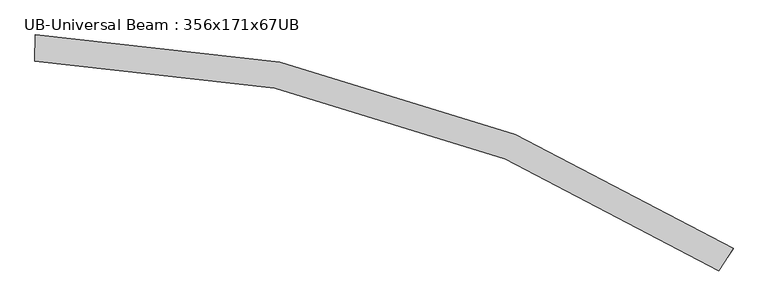
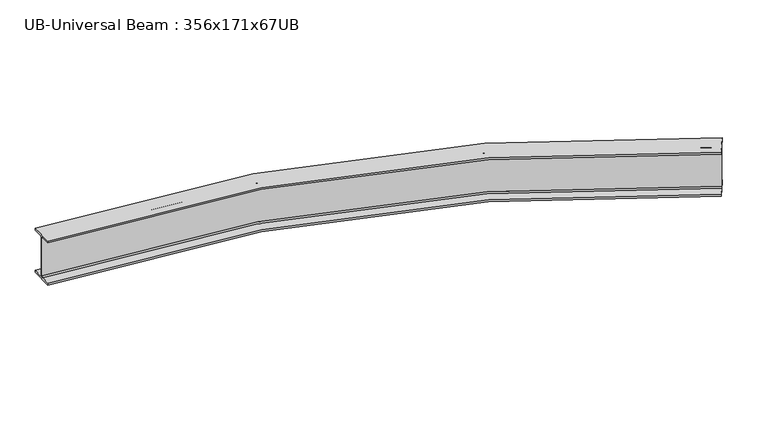
"""IFC4 building model written with IfcOpenShell, lengths in millimetres: beam geometry, UB-Universal Beam : 356x171x67UB."""

from ifc_helpers import new_model, si_unit, point, frame, origin, place, context, project, spatial, polyline, circle_curve, ellipse_curve, trimmed, source, transform, mapped, element, save
from ifc_brep_helpers import plane_surface, cylinder_surface, revolved_surface, advanced_brep


def ub_universal_beam_356x171x67ub_e9fd7908(model_context):
    return source(origin(), model_context, "Body", "AdvancedBrep", [
        advanced_brep(
        [(4723.9826672, -1314.8987752, -166.0), (4684.7989775, -1375.123861, -166.0), (4679.236366, -1383.67356, -155.8), (4679.236366, -1383.67356, 155.8), (4684.7989775, -1375.123861, 166.0), (4723.9826672, -1314.8987752, 166.0), (4723.9826672, -1314.8987752, 181.7), (4629.5273428, -1460.0760176, 181.7), (4629.5273428, -1460.0760176, 166.0), (4668.7110325, -1399.8509317, 166.0), (4674.273644, -1391.3012327, 155.8), (4674.273644, -1391.3012327, -155.8), (4668.7110325, -1399.8509317, -166.0), (4629.5273428, -1460.0760176, -166.0), (4629.5273428, -1460.0760176, -181.7), (4723.9826672, -1314.8987752, -181.7), (161.5602928, 85.0932288, -166.0), (161.5602928, 85.0932288, -181.7), (158.3299189, -88.0766435, -181.7), (158.3299189, -88.0766435, -166.0), (159.6700018, -16.2391416, -166.0), (159.8602433, -6.0409159, -155.8), (159.8602433, -6.0409159, 155.8), (159.6700018, -16.2391416, 166.0), (158.3299189, -88.0766435, 166.0), (158.3299189, -88.0766435, 181.7), (161.5602928, 85.0932288, 181.7), (161.5602928, 85.0932288, 166.0), (160.2202099, 13.2557269, 166.0), (160.0299684, 3.0575012, 155.8), (160.0299684, 3.0575012, -155.8), (160.2202099, 13.2557269, -166.0)],
        [
            (0, 1),
            (1, 2, circle_curve(frame((4684.7989775, -1375.123861, -155.8), z_axis=(-0.8382057872283976, 0.5453540668747434, 0.0), x_axis=(-0.5453540668747434, -0.8382057872283976, 0.0)), 10.2)),
            (2, 3),
            (3, 4, circle_curve(frame((4684.7989775, -1375.123861, 155.8), z_axis=(-0.8382057872283976, 0.5453540668747434, 0.0), x_axis=(-0.5453540668747434, -0.8382057872283976, 0.0)), 10.2)),
            (4, 5),
            (5, 6),
            (6, 7),
            (7, 8),
            (8, 9),
            (9, 10, circle_curve(frame((4668.7110325, -1399.8509317, 155.8), z_axis=(-0.8382057872283976, 0.5453540668747434, 0.0), x_axis=(-0.5453540668747434, -0.8382057872283976, 0.0)), 10.2)),
            (10, 11),
            (11, 12, circle_curve(frame((4668.7110325, -1399.8509317, -155.8), z_axis=(-0.8382057872283976, 0.5453540668747434, 0.0), x_axis=(-0.5453540668747434, -0.8382057872283976, 0.0)), 10.2)),
            (12, 13),
            (13, 14),
            (14, 15),
            (15, 0),
            (16, 17),
            (17, 18),
            (18, 19),
            (19, 20),
            (20, 21, circle_curve(frame((159.6700018, -16.2391416, -155.8), z_axis=(0.9998260527519205, -0.01865111896144622, 0.0), x_axis=(-0.01865111896144622, -0.9998260527519205, 0.0)), 10.2)),
            (21, 22),
            (22, 23, circle_curve(frame((159.6700018, -16.2391416, 155.8), z_axis=(0.9998260527519205, -0.01865111896144622, 0.0), x_axis=(-0.01865111896144622, -0.9998260527519205, 0.0)), 10.2)),
            (23, 24),
            (24, 25),
            (25, 26),
            (26, 27),
            (27, 28),
            (28, 29, circle_curve(frame((160.2202099, 13.2557269, 155.8), z_axis=(0.9998260527519205, -0.01865111896144622, 0.0), x_axis=(-0.01865111896144622, -0.9998260527519205, 0.0)), 10.2)),
            (29, 30),
            (30, 31, circle_curve(frame((160.2202099, 13.2557269, -155.8), z_axis=(0.9998260527519204, -0.018651118961446667, 0.0), x_axis=(-0.018651118961446667, -0.9998260527519204, 0.0)), 10.2)),
            (31, 16),
            (0, 16, circle_curve(frame((0.0, -8575.6305656, -166.0), z_axis=(0.0, 0.0, 1.0), x_axis=(0.017353712717132302, -0.9998494129892417, 0.0)), 8662.2305656)),
            (31, 1, circle_curve(frame((0.0, -8575.6305656, -166.0), z_axis=(0.0, 0.0, -1.0), x_axis=(0.017353712717132302, -0.9998494129892417, 0.0)), 8590.3805656)),
            (30, 2, circle_curve(frame((0.0, -8575.6305656, -155.8), z_axis=(0.0, 0.0, -1.0), x_axis=(0.017353712717132302, -0.9998494129892417, 0.0)), 8580.1805656)),
            (29, 3, circle_curve(frame((0.0, -8575.6305656, 155.8), z_axis=(0.0, 0.0, -1.0), x_axis=(0.017353712717132302, -0.9998494129892417, 0.0)), 8580.1805656)),
            (28, 4, circle_curve(frame((0.0, -8575.6305656, 166.0), z_axis=(0.0, 0.0, -1.0), x_axis=(0.017353712717132302, -0.9998494129892417, 0.0)), 8590.3805656)),
            (27, 5, circle_curve(frame((0.0, -8575.6305656, 166.0), z_axis=(0.0, 0.0, -1.0), x_axis=(0.017353712717132302, -0.9998494129892417, 0.0)), 8662.2305656)),
            (26, 6, circle_curve(frame((0.0, -8575.6305656, 181.7), z_axis=(0.0, 0.0, -1.0), x_axis=(0.017353712717132302, -0.9998494129892417, 0.0)), 8662.2305656)),
            (25, 7, circle_curve(frame((0.0, -8575.6305656, 181.7), z_axis=(0.0, 0.0, -1.0), x_axis=(0.017353712717132302, -0.9998494129892417, 0.0)), 8489.0305656)),
            (24, 8, circle_curve(frame((0.0, -8575.6305656, 166.0), z_axis=(0.0, 0.0, -1.0), x_axis=(0.017353712717132302, -0.9998494129892417, 0.0)), 8489.0305656)),
            (23, 9, circle_curve(frame((0.0, -8575.6305656, 166.0), z_axis=(0.0, 0.0, -1.0), x_axis=(0.017353712717132302, -0.9998494129892417, 0.0)), 8560.8805656)),
            (22, 10, circle_curve(frame((0.0, -8575.6305656, 155.8), z_axis=(0.0, 0.0, -1.0), x_axis=(0.017353712717132302, -0.9998494129892417, 0.0)), 8571.0805656)),
            (21, 11, circle_curve(frame((0.0, -8575.6305656, -155.8), z_axis=(0.0, 0.0, -1.0), x_axis=(0.017353712717132302, -0.9998494129892417, 0.0)), 8571.0805656)),
            (20, 12, circle_curve(frame((0.0, -8575.6305656, -166.0), z_axis=(0.0, 0.0, -1.0), x_axis=(0.017353712717132302, -0.9998494129892417, 0.0)), 8560.8805656)),
            (19, 13, circle_curve(frame((0.0, -8575.6305656, -166.0), z_axis=(0.0, 0.0, -1.0), x_axis=(0.017353712717132302, -0.9998494129892417, 0.0)), 8489.0305656)),
            (18, 14, circle_curve(frame((0.0, -8575.6305656, -181.7), z_axis=(0.0, 0.0, -1.0), x_axis=(0.017353712717132302, -0.9998494129892417, 0.0)), 8489.0305656)),
            (17, 15, circle_curve(frame((0.0, -8575.6305656, -181.7), z_axis=(0.0, 0.0, -1.0), x_axis=(0.017353712717132302, -0.9998494129892417, 0.0)), 8662.2305656)),
        ],
        [
            plane_surface(frame((4676.755005, -1387.4873964, 0.0), z_axis=(0.8382057872283942, -0.5453540668747489, 0.0), x_axis=(0.0, 0.0, 1.0))),
            plane_surface(frame((159.9451058, -1.4917073, 0.0), z_axis=(-0.9998260527519203, 0.01865111896145268, 0.0), x_axis=(0.0, 0.0, 1.0))),
            plane_surface(frame((0.0, -8575.6305656, -166.0), z_axis=(0.0, 0.0, 1.0), x_axis=(0.017353712717132302, -0.9998494129892417, 0.0))),
            revolved_surface(trimmed(ellipse_curve(frame((149.0749965, -17164.7175315, -155.8), z_axis=(-0.9998494129892417, -0.0173537127171321, 0.0), x_axis=(-0.0173537127171321, 0.9998494129892417, 0.0)), 10.2, 10.2), [point((148.8979886, -17154.5190675, -155.8))], [point((149.0749965, -17164.7175315, -166.0))], True, "CARTESIAN"), (0.0, -8575.6305656, 0.0), (0.0, 0.0, -1.0)),
            cylinder_surface(frame((0.0, -8575.6305656, 0.0), z_axis=(0.0, 0.0, -1.0), x_axis=(0.017353712717132302, -0.9998494129892417, 0.0)), 8580.1805656),
            revolved_surface(trimmed(ellipse_curve(frame((149.0749965, -17164.7175315, 155.8), z_axis=(-0.9998494129892417, -0.0173537127171321, 0.0), x_axis=(-0.0173537127171321, 0.9998494129892417, 0.0)), 10.2, 10.2), [point((149.0749965, -17164.7175315, 166.0))], [point((148.8979886, -17154.5190675, 155.8))], True, "CARTESIAN"), (0.0, -8575.6305656, 0.0), (0.0, 0.0, -1.0)),
            plane_surface(frame((0.0, -8575.6305656, 166.0), z_axis=(0.0, 0.0, -1.0), x_axis=(0.017353712717132302, -0.9998494129892417, 0.0))),
            cylinder_surface(frame((0.0, -8575.6305656, 0.0), z_axis=(0.0, 0.0, -1.0), x_axis=(0.017353712717132302, -0.9998494129892417, 0.0)), 8662.2305656),
            plane_surface(frame((0.0, -8575.6305656, 181.7), z_axis=(0.0, 0.0, 1.0), x_axis=(0.017353712717132302, -0.9998494129892417, 0.0))),
            revolved_surface(polyline([(147.31619768237755, -17063.382793462893, 166.0), (147.31619768237755, -17063.382793462893, 181.7)]), (0.0, -8575.6305656, 0.0), (0.0, 0.0, -1.0)),
            revolved_surface(trimmed(ellipse_curve(frame((148.5630619, -17135.2219738, 155.8), z_axis=(-0.9998494129892417, -0.0173537127171321, 0.0), x_axis=(-0.0173537127171321, 0.9998494129892417, 0.0)), 10.2, 10.2), [point((148.7400698, -17145.4204378, 155.8))], [point((148.5630619, -17135.2219738, 166.0))], True, "CARTESIAN"), (0.0, -8575.6305656, 0.0), (0.0, 0.0, -1.0)),
            revolved_surface(polyline([(148.74006981081823, -17145.420437798657, -155.8), (148.74006981081823, -17145.420437798657, 155.8)]), (0.0, -8575.6305656, 0.0), (0.0, 0.0, -1.0)),
            revolved_surface(trimmed(ellipse_curve(frame((148.5630619, -17135.2219738, -155.8), z_axis=(-0.9998494129892417, -0.0173537127171321, 0.0), x_axis=(-0.0173537127171321, 0.9998494129892417, 0.0)), 10.2, 10.2), [point((148.5630619, -17135.2219738, -166.0))], [point((148.7400698, -17145.4204378, -155.8))], True, "CARTESIAN"), (0.0, -8575.6305656, 0.0), (0.0, 0.0, -1.0)),
            revolved_surface(polyline([(147.31619768237755, -17063.382793462893, -181.7), (147.31619768237755, -17063.382793462893, -166.0)]), (0.0, -8575.6305656, 0.0), (0.0, 0.0, -1.0)),
            plane_surface(frame((0.0, -8575.6305656, -181.7), z_axis=(0.0, 0.0, -1.0), x_axis=(0.017353712717132302, -0.9998494129892417, 0.0))),
        ],
        [
            (0, [[1, 2, 3, 4, 5, 6, 7, 8, 9, 10, 11, 12, 13, 14, 15, 16]]),
            (1, [[17, 18, 19, 20, 21, 22, 23, 24, 25, 26, 27, 28, 29, 30, 31, 32]]),
            (2, [[-1, 33, -32, 34]]),
            (3, [[-2, -34, -31, 35]]),
            (4, [[-3, -35, -30, 36]]),
            (5, [[-4, -36, -29, 37]]),
            (6, [[-5, -37, -28, 38]]),
            (7, [[-6, -38, -27, 39]]),
            (8, [[-7, -39, -26, 40]]),
            (9, [[-8, -40, -25, 41]]),
            (6, [[-9, -41, -24, 42]]),
            (10, [[-10, -42, -23, 43]]),
            (11, [[-11, -43, -22, 44]]),
            (12, [[-12, -44, -21, 45]]),
            (2, [[-13, -45, -20, 46]]),
            (13, [[-14, -46, -19, 47]]),
            (14, [[-15, -47, -18, 48]]),
            (7, [[-16, -48, -17, -33]]),
        ],
    ),
    ])


if __name__ == "__main__":
    model = new_model("IFC4")
    model_context = context("Model", 3, world=origin())
    ifc_project = project(units=[si_unit("LENGTHUNIT", "METRE", prefix="MILLI")], contexts=[model_context])
    site = spatial("IfcSite", under=ifc_project)
    building = spatial("IfcBuilding", under=site)
    placement = place(None, origin())
    ub_universal_beam_356x171x67ub_shape = ub_universal_beam_356x171x67ub_e9fd7908(model_context)
    element("IfcBeam", 1, ObjectType="UB-Universal Beam : 356x171x67UB", at=placement, inside=building, context=model_context, shape_type="MappedRepresentation", body=[
        mapped(ub_universal_beam_356x171x67ub_shape, transform((0.0, 0.0, 0.0), x_axis=(1.0, 0.0, 0.0), y_axis=(0.0, 1.0, 0.0), z_axis=(0.0, 0.0, 1.0))),
    ])
    save(model, "model.ifc")
